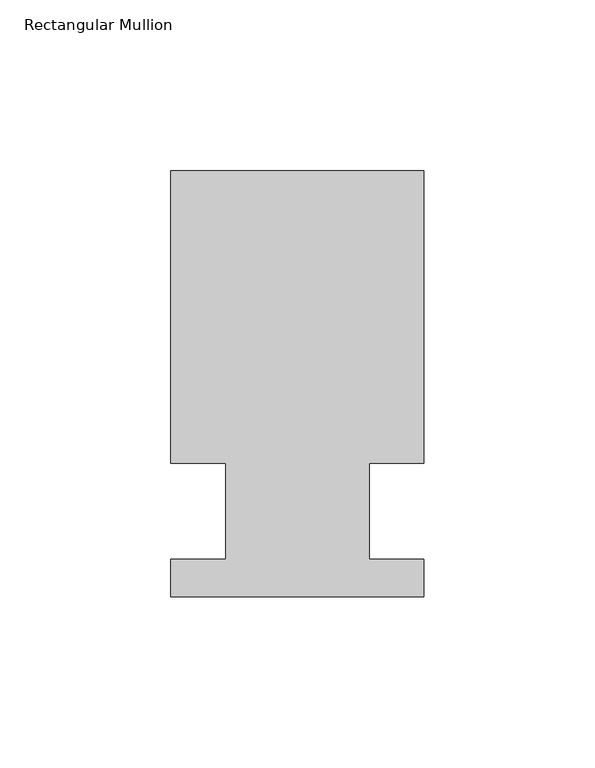
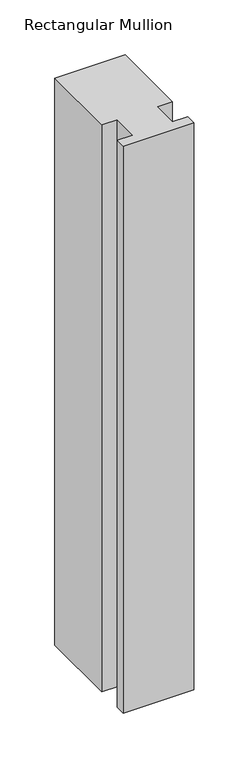
"""IFC4 building model written with IfcOpenShell, lengths in millimetres: member geometry, Rectangular Mullion."""

from ifc_helpers import new_model, si_unit, frame, origin, place, context, project, spatial, polyline, outline, extrude, source, transform, mapped, element, save


def rectangular_mullion_a8da8543(model_context):
    return source(origin(), model_context, "Body", "SweptSolid", [
        extrude(outline(polyline([(-20.9800745, 13.9998907), (-37.0, 13.9998907), (-37.0, 99.5), (37.0, 99.5), (37.0, 13.9998907), (20.9800745, 13.9998907), (20.9800745, -14.0), (36.9800745, -14.0), (36.9800745, -25.0), (-37.0, -25.0), (-37.0, -14.0), (-20.9800745, -14.0), (-20.9800745, 13.9998907)])), frame((0.0, 0.0, -629.9889728), z_axis=(0.0, 0.0, 1.0), x_axis=(1.0, 0.0, 0.0)), (0.0, 0.0, 1.0), 629.9889728),
    ])


if __name__ == "__main__":
    model = new_model("IFC4")
    model_context = context("Model", 3, world=origin())
    ifc_project = project(units=[si_unit("LENGTHUNIT", "METRE", prefix="MILLI")], contexts=[model_context])
    site = spatial("IfcSite", under=ifc_project)
    building = spatial("IfcBuilding", under=site)
    placement = place(None, origin())
    rectangular_mullion_shape = rectangular_mullion_a8da8543(model_context)
    element("IfcMember", 1, ObjectType="Rectangular Mullion", at=placement, inside=building, context=model_context, shape_type="MappedRepresentation", body=[
        mapped(rectangular_mullion_shape, transform((0.0, 0.0, 0.0), x_axis=(1.0, 0.0, 0.0), y_axis=(0.0, 1.0, 0.0), z_axis=(0.0, 0.0, 1.0))),
    ])
    save(model, "model.ifc")
